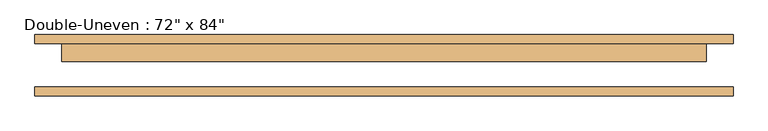
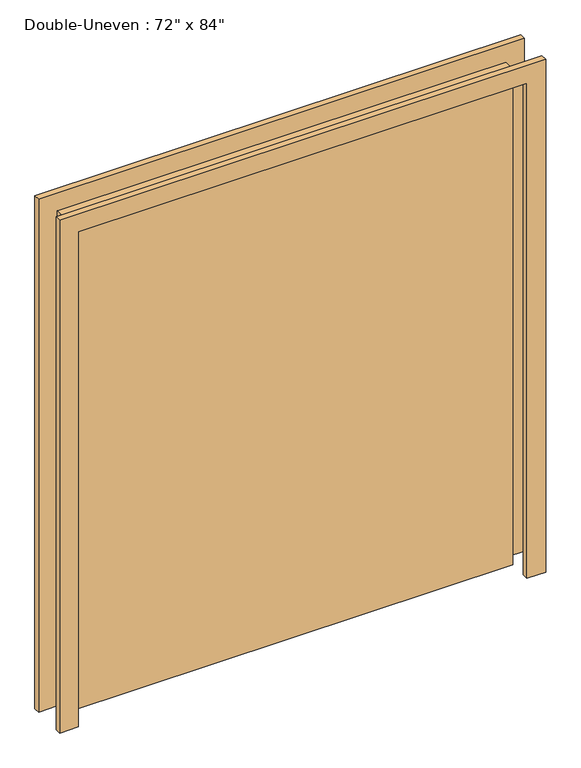
"""IFC4 building model written with IfcOpenShell, lengths in millimetres: door geometry."""

import ifcopenshell
import ifcopenshell.guid

model = None  # the IFC model being written
_history = None  # IfcOwnerHistory: only IFC2X3 demands one
_inside = {}  # id of a spatial element -> (the spatial element, [elements in it])
_under = {}  # id of a project, library or spatial element -> (it, [spatial elements below it])
_declared = {}  # id of a project -> (the project, [libraries it declares])
_typed = {}  # id of a type object -> (the type object, [elements of that type])
_made_of = {}  # id of a material, layer set ... -> (it, [elements and type objects made of it])


def new_model(schema):
    """Start an empty IFC model of exactly this schema.

    Asked for "IFC4X3", IfcOpenShell would pick the latest addendum, in which some entities
    have other attributes; the version numbers below select the first issue.
    IFC2X3 requires an IfcOwnerHistory on every rooted entity: one is made here for all.
    """
    global model, _history
    if schema == "IFC4X3":
        model = ifcopenshell.file(schema_version=(4, 3, 0, 0))
    else:
        model = ifcopenshell.file(schema=schema)
    _inside.clear()
    _under.clear()
    _declared.clear()
    _typed.clear()
    _made_of.clear()
    _history = None
    if model.schema == "IFC2X3":
        org = make("IfcOrganization", Name="unknown")
        user = make(
            "IfcPersonAndOrganization",
            ThePerson=make("IfcPerson", FamilyName="unknown"),
            TheOrganization=org,
        )
        app = make(
            "IfcApplication",
            ApplicationDeveloper=org,
            Version="unknown",
            ApplicationFullName="unknown",
            ApplicationIdentifier="unknown",
        )
        _history = make(
            "IfcOwnerHistory",
            OwningUser=user,
            OwningApplication=app,
            ChangeAction="ADDED",
            CreationDate=0,
        )
    return model


def make(cls, **values):
    """One entity of the class cls with the attributes given. An attribute that is None is left unset."""
    return model.create_entity(
        cls, **{name: value for name, value in values.items() if value is not None}
    )


def rooted(cls, **values):
    """An entity with a GlobalId (a new one), such as an element, a storey or a relation."""
    return make(cls, GlobalId=ifcopenshell.guid.new(), OwnerHistory=_history, **values)


def si_unit(unit_type, name, prefix=None):
    """IfcSIUnit, for example si_unit("LENGTHUNIT", "METRE", prefix="MILLI")."""
    return make("IfcSIUnit", UnitType=unit_type, Prefix=prefix, Name=name)


def assignment(units):
    """IfcUnitAssignment: the units of a project."""
    return None if units is None else make("IfcUnitAssignment", Units=units)


def point(xyz):
    """IfcCartesianPoint."""
    return None if xyz is None else make("IfcCartesianPoint", Coordinates=xyz)


def direction(xyz):
    """IfcDirection."""
    return None if xyz is None else make("IfcDirection", DirectionRatios=xyz)


def frame(location, z_axis=None, x_axis=None):
    """IfcAxis2Placement3D, a coordinate frame: its origin and axes. An axis left out is left unset."""
    return make(
        "IfcAxis2Placement3D",
        Location=point(location),
        Axis=direction(z_axis),
        RefDirection=direction(x_axis),
    )


def origin():
    """The frame at (0, 0, 0) with its axes left unset."""
    return frame((0.0, 0.0, 0.0))


def origin_with_axes():
    """The frame at (0, 0, 0) with the z axis (0, 0, 1) and the x axis (1, 0, 0) written out."""
    return frame((0.0, 0.0, 0.0), z_axis=(0.0, 0.0, 1.0), x_axis=(1.0, 0.0, 0.0))


def place(relative_to, where):
    """IfcLocalPlacement: puts the frame where relative to a parent placement (None: the world)."""
    return make(
        "IfcLocalPlacement", PlacementRelTo=relative_to, RelativePlacement=where
    )


def context(
    kind, dimensions, precision=None, world=None, true_north=None, identifier=None
):
    """IfcGeometricRepresentationContext, for example the 3D "Model" context."""
    return make(
        "IfcGeometricRepresentationContext",
        ContextIdentifier=identifier,
        ContextType=kind,
        CoordinateSpaceDimension=dimensions,
        Precision=precision,
        WorldCoordinateSystem=world,
        TrueNorth=true_north,
    )


def project(units=None, contexts=None):
    """IfcProject with its units and contexts."""
    return rooted(
        "IfcProject",
        Name="project",
        RepresentationContexts=contexts,
        UnitsInContext=assignment(units),
    )


def spatial(cls, under=None, at=None, **own):
    """A site, building, storey or space (cls), placed at a placement, below another one or the project."""
    s = rooted(cls, ObjectPlacement=at, **own)
    if under is not None:
        _under.setdefault(under.id(), (under, []))[1].append(s)
    return s


def polyline(points):
    """IfcPolyline through the points."""
    return make("IfcPolyline", Points=[point(p) for p in points])


def outline(outer, holes=None, kind="AREA"):
    """IfcArbitraryClosedProfileDef: a profile drawn as a closed curve; with holes, ...WithVoids."""
    if holes is None:
        return make("IfcArbitraryClosedProfileDef", ProfileType=kind, OuterCurve=outer)
    return make(
        "IfcArbitraryProfileDefWithVoids",
        ProfileType=kind,
        OuterCurve=outer,
        InnerCurves=holes,
    )


def extrude(swept, where, along, depth):
    """IfcExtrudedAreaSolid: the profile swept, set in the frame where, extruded along a direction by depth."""
    return make(
        "IfcExtrudedAreaSolid",
        SweptArea=swept,
        Position=where,
        ExtrudedDirection=direction(along),
        Depth=depth,
    )


def shape(context_of_items, identifier, shape_type, items):
    """IfcShapeRepresentation: the items that make up one representation, for example the "Body"."""
    return make(
        "IfcShapeRepresentation",
        ContextOfItems=context_of_items,
        RepresentationIdentifier=identifier,
        RepresentationType=shape_type,
        Items=items,
    )


def source(mapping_origin, context_of_items, identifier, shape_type, items):
    """IfcRepresentationMap: a shape defined once, which mapped items show again and again."""
    return make(
        "IfcRepresentationMap",
        MappingOrigin=mapping_origin,
        MappedRepresentation=shape(context_of_items, identifier, shape_type, items),
    )


def transform(
    local_origin,
    x_axis=None,
    y_axis=None,
    z_axis=None,
    scale=None,
    scale2=None,
    scale3=None,
    uniform=True,
):
    """IfcCartesianTransformationOperator3D, or its non-uniform kind. x_axis, y_axis, z_axis: its Axis1, 2, 3."""
    if uniform:
        return make(
            "IfcCartesianTransformationOperator3D",
            Axis1=direction(x_axis),
            Axis2=direction(y_axis),
            LocalOrigin=point(local_origin),
            Scale=scale,
            Axis3=direction(z_axis),
        )
    return make(
        "IfcCartesianTransformationOperator3DnonUniform",
        Axis1=direction(x_axis),
        Axis2=direction(y_axis),
        LocalOrigin=point(local_origin),
        Scale=scale,
        Axis3=direction(z_axis),
        Scale2=scale2,
        Scale3=scale3,
    )


def mapped(mapping_source, mapping_target):
    """IfcMappedItem: shows the shape of a source again, moved by a transform."""
    return make(
        "IfcMappedItem", MappingSource=mapping_source, MappingTarget=mapping_target
    )


def made_of(thing, what):
    """Note that an element or type object is made of a material, layer set ...; save() writes the relation."""
    if what is not None:
        _made_of.setdefault(what.id(), (what, []))[1].append(thing)
    return thing


def element(
    cls,
    number,
    at=None,
    inside=None,
    cuts=None,
    type_object=None,
    material=None,
    context=None,
    identifier="Body",
    shape_type=None,
    held_by="IfcProductDefinitionShape",
    body=None,
    shapes=None,
    **own,
):
    """One element of the class cls, such as IfcWall. Its Tag is "e" and its number.

    at: its placement. inside: the storey or other place that contains it. cuts: it is an
    opening in that element (IfcRelVoidsElement). A single representation is given by context,
    identifier, shape_type and body (its items); several are given by shapes. held_by: the class
    of the entity that holds the representations. save() writes the other relations.
    """
    e = rooted(cls, Tag="e%d" % number, ObjectPlacement=at, **own)
    if body is not None:
        shapes = [shape(context, identifier, shape_type, body)]
    if shapes is not None:
        e.Representation = make(held_by, Representations=shapes)
    if inside is not None:
        _inside.setdefault(inside.id(), (inside, []))[1].append(e)
    if cuts is not None:
        rooted(
            "IfcRelVoidsElement", RelatingBuildingElement=cuts, RelatedOpeningElement=e
        )
    if type_object is not None:
        _typed.setdefault(type_object.id(), (type_object, []))[1].append(e)
    return made_of(e, material)


def aggregate(whole, parts):
    """IfcRelAggregates: a whole, such as a stair, and the parts it consists of."""
    return rooted("IfcRelAggregates", RelatingObject=whole, RelatedObjects=parts)


def save(model, path):
    """Write the relations noted so far, then the file.

    IfcRelAggregates (storeys below a building ...), IfcRelContainedInSpatialStructure (elements
    in a storey), IfcRelDefinesByType, IfcRelAssociatesMaterial and IfcRelDeclares: one each for
    every whole, place, type object, material and project.
    """
    for whole, parts in _under.values():
        aggregate(whole, parts)
    for where, things in _inside.values():
        rooted(
            "IfcRelContainedInSpatialStructure",
            RelatedElements=things,
            RelatingStructure=where,
        )
    for kind, things in _typed.values():
        rooted("IfcRelDefinesByType", RelatedObjects=things, RelatingType=kind)
    for what, things in _made_of.values():
        rooted("IfcRelAssociatesMaterial", RelatedObjects=things, RelatingMaterial=what)
    for by, libraries in _declared.values():
        rooted("IfcRelDeclares", RelatingContext=by, RelatedDefinitions=libraries)
    model.write(path)


def door_45402808(model_context):
    return source(origin(), model_context, "Body", "SweptSolid", [
        extrude(outline(polyline([(101.6, 61.9125), (101.6, 11.1125), (-1727.2, 11.1125), (-1727.2, 61.9125), (101.6, 61.9125)])), origin_with_axes(), (0.0, 0.0, 1.0), 2133.6),
        extrude(outline(polyline([(2133.6, -1727.2), (2133.6, 101.6), (0.0, 101.6), (0.0, 177.8), (2209.8, 177.8), (2209.8, -1803.4), (0.0, -1803.4), (0.0, -1727.2), (2133.6, -1727.2)])), frame((0.0, -87.3125, 0.0), z_axis=(0.0, 1.0, 0.0), x_axis=(0.0, 0.0, 1.0)), (0.0, 0.0, 1.0), 25.4),
        extrude(outline(polyline([(2133.6, -1727.2), (2133.6, 101.6), (0.0, 101.6), (0.0, 177.8), (2209.8, 177.8), (2209.8, -1803.4), (0.0, -1803.4), (0.0, -1727.2), (2133.6, -1727.2)])), frame((0.0, 61.9125, 0.0), z_axis=(0.0, 1.0, 0.0), x_axis=(0.0, 0.0, 1.0)), (0.0, 0.0, 1.0), 25.4),
    ])


if __name__ == "__main__":
    model = new_model("IFC4")
    model_context = context("Model", 3, world=origin())
    ifc_project = project(units=[si_unit("LENGTHUNIT", "METRE", prefix="MILLI")], contexts=[model_context])
    site = spatial("IfcSite", under=ifc_project)
    building = spatial("IfcBuilding", under=site)
    placement = place(None, origin())
    door_shape = door_45402808(model_context)
    element("IfcDoor", 1, ObjectType="Double-Uneven : 72\" x 84\"", at=placement, inside=building, context=model_context, shape_type="MappedRepresentation", body=[
        mapped(door_shape, transform((0.0, 0.0, 0.0), x_axis=(1.0, 0.0, 0.0), y_axis=(0.0, 1.0, 0.0), z_axis=(0.0, 0.0, 1.0))),
    ])
    save(model, "model.ifc")
